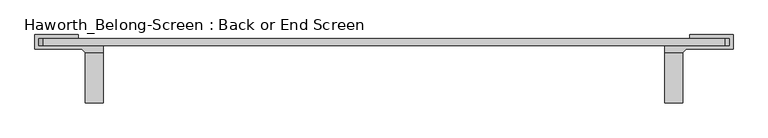
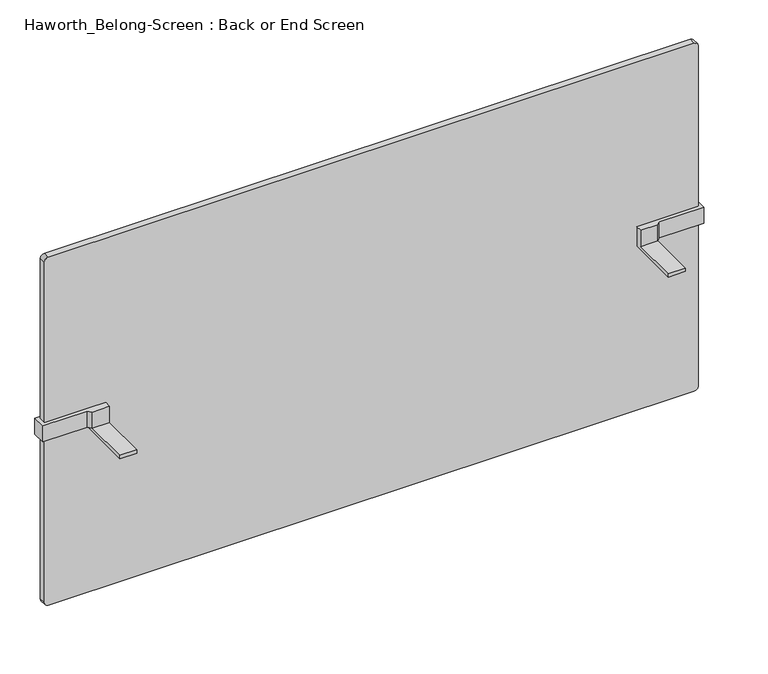
"""IFC4 building model written with IfcOpenShell, lengths in millimetres: furniture geometry, Haworth_Belong-Screen : Back or End Screen."""

import ifcopenshell
import ifcopenshell.guid

model = None  # the IFC model being written
_history = None  # IfcOwnerHistory: only IFC2X3 demands one
_inside = {}  # id of a spatial element -> (the spatial element, [elements in it])
_under = {}  # id of a project, library or spatial element -> (it, [spatial elements below it])
_declared = {}  # id of a project -> (the project, [libraries it declares])
_typed = {}  # id of a type object -> (the type object, [elements of that type])
_made_of = {}  # id of a material, layer set ... -> (it, [elements and type objects made of it])


def new_model(schema):
    """Start an empty IFC model of exactly this schema.

    Asked for "IFC4X3", IfcOpenShell would pick the latest addendum, in which some entities
    have other attributes; the version numbers below select the first issue.
    IFC2X3 requires an IfcOwnerHistory on every rooted entity: one is made here for all.
    """
    global model, _history
    if schema == "IFC4X3":
        model = ifcopenshell.file(schema_version=(4, 3, 0, 0))
    else:
        model = ifcopenshell.file(schema=schema)
    _inside.clear()
    _under.clear()
    _declared.clear()
    _typed.clear()
    _made_of.clear()
    _history = None
    if model.schema == "IFC2X3":
        org = make("IfcOrganization", Name="unknown")
        user = make(
            "IfcPersonAndOrganization",
            ThePerson=make("IfcPerson", FamilyName="unknown"),
            TheOrganization=org,
        )
        app = make(
            "IfcApplication",
            ApplicationDeveloper=org,
            Version="unknown",
            ApplicationFullName="unknown",
            ApplicationIdentifier="unknown",
        )
        _history = make(
            "IfcOwnerHistory",
            OwningUser=user,
            OwningApplication=app,
            ChangeAction="ADDED",
            CreationDate=0,
        )
    return model


def make(cls, **values):
    """One entity of the class cls with the attributes given. An attribute that is None is left unset."""
    return model.create_entity(
        cls, **{name: value for name, value in values.items() if value is not None}
    )


def rooted(cls, **values):
    """An entity with a GlobalId (a new one), such as an element, a storey or a relation."""
    return make(cls, GlobalId=ifcopenshell.guid.new(), OwnerHistory=_history, **values)


def si_unit(unit_type, name, prefix=None):
    """IfcSIUnit, for example si_unit("LENGTHUNIT", "METRE", prefix="MILLI")."""
    return make("IfcSIUnit", UnitType=unit_type, Prefix=prefix, Name=name)


def assignment(units):
    """IfcUnitAssignment: the units of a project."""
    return None if units is None else make("IfcUnitAssignment", Units=units)


def point(xyz):
    """IfcCartesianPoint."""
    return None if xyz is None else make("IfcCartesianPoint", Coordinates=xyz)


def direction(xyz):
    """IfcDirection."""
    return None if xyz is None else make("IfcDirection", DirectionRatios=xyz)


def frame(location, z_axis=None, x_axis=None):
    """IfcAxis2Placement3D, a coordinate frame: its origin and axes. An axis left out is left unset."""
    return make(
        "IfcAxis2Placement3D",
        Location=point(location),
        Axis=direction(z_axis),
        RefDirection=direction(x_axis),
    )


def frame_2d(location, x_axis=None):
    """IfcAxis2Placement2D, a coordinate frame in the plane: its origin and x axis."""
    return make(
        "IfcAxis2Placement2D", Location=point(location), RefDirection=direction(x_axis)
    )


def origin():
    """The frame at (0, 0, 0) with its axes left unset."""
    return frame((0.0, 0.0, 0.0))


def place(relative_to, where):
    """IfcLocalPlacement: puts the frame where relative to a parent placement (None: the world)."""
    return make(
        "IfcLocalPlacement", PlacementRelTo=relative_to, RelativePlacement=where
    )


def context(
    kind, dimensions, precision=None, world=None, true_north=None, identifier=None
):
    """IfcGeometricRepresentationContext, for example the 3D "Model" context."""
    return make(
        "IfcGeometricRepresentationContext",
        ContextIdentifier=identifier,
        ContextType=kind,
        CoordinateSpaceDimension=dimensions,
        Precision=precision,
        WorldCoordinateSystem=world,
        TrueNorth=true_north,
    )


def project(units=None, contexts=None):
    """IfcProject with its units and contexts."""
    return rooted(
        "IfcProject",
        Name="project",
        RepresentationContexts=contexts,
        UnitsInContext=assignment(units),
    )


def spatial(cls, under=None, at=None, **own):
    """A site, building, storey or space (cls), placed at a placement, below another one or the project."""
    s = rooted(cls, ObjectPlacement=at, **own)
    if under is not None:
        _under.setdefault(under.id(), (under, []))[1].append(s)
    return s


def polyline(points):
    """IfcPolyline through the points."""
    return make("IfcPolyline", Points=[point(p) for p in points])


def circle_curve(where, radius):
    """IfcCircle in the frame where."""
    return make("IfcCircle", Position=where, Radius=radius)


def trimmed(basis, trim1, trim2, sense, master):
    """IfcTrimmedCurve: the piece of a basis curve between two trims."""
    return make(
        "IfcTrimmedCurve",
        BasisCurve=basis,
        Trim1=trim1,
        Trim2=trim2,
        SenseAgreement=sense,
        MasterRepresentation=master,
    )


def segment(curve, same_sense, transition):
    """IfcCompositeCurveSegment."""
    return make(
        "IfcCompositeCurveSegment",
        Transition=transition,
        SameSense=same_sense,
        ParentCurve=curve,
    )


def composite_curve(segments, self_intersect=None):
    """IfcCompositeCurve: segments joined end to end."""
    return make("IfcCompositeCurve", Segments=segments, SelfIntersect=self_intersect)


def outline(outer, holes=None, kind="AREA"):
    """IfcArbitraryClosedProfileDef: a profile drawn as a closed curve; with holes, ...WithVoids."""
    if holes is None:
        return make("IfcArbitraryClosedProfileDef", ProfileType=kind, OuterCurve=outer)
    return make(
        "IfcArbitraryProfileDefWithVoids",
        ProfileType=kind,
        OuterCurve=outer,
        InnerCurves=holes,
    )


def extrude(swept, where, along, depth):
    """IfcExtrudedAreaSolid: the profile swept, set in the frame where, extruded along a direction by depth."""
    return make(
        "IfcExtrudedAreaSolid",
        SweptArea=swept,
        Position=where,
        ExtrudedDirection=direction(along),
        Depth=depth,
    )


def faces_of(points, faces, orient=None, outer=None):
    """IfcFace entities. A face is a list of loops; a loop is a list of indices into points, from 0.

    orient and outer hold one flag for each loop. By default every Orientation is true, the
    first loop of a face is its IfcFaceOuterBound and the others are IfcFaceBound.
    """
    made = []
    for i, loops in enumerate(faces):
        bounds = []
        for j, loop in enumerate(loops):
            is_outer = j == 0 if outer is None else outer[i][j]
            bounds.append(
                make(
                    "IfcFaceOuterBound" if is_outer else "IfcFaceBound",
                    Bound=make("IfcPolyLoop", Polygon=[points[k] for k in loop]),
                    Orientation=True if orient is None else orient[i][j],
                )
            )
        made.append(make("IfcFace", Bounds=bounds))
    return made


def faceted_brep(points, faces, orient=None, outer=None, voids=None):
    """IfcFacetedBrep: a solid bounded by flat faces; with voids (closed shells), ...WithVoids."""
    shared = [point(p) for p in points]
    hull = make("IfcClosedShell", CfsFaces=faces_of(shared, faces, orient, outer))
    if voids is None:
        return make("IfcFacetedBrep", Outer=hull)
    return make(
        "IfcFacetedBrepWithVoids",
        Outer=hull,
        Voids=[
            make(cls, CfsFaces=faces_of(shared, fs, o, b)) for cls, fs, o, b in voids
        ],
    )


def shape(context_of_items, identifier, shape_type, items):
    """IfcShapeRepresentation: the items that make up one representation, for example the "Body"."""
    return make(
        "IfcShapeRepresentation",
        ContextOfItems=context_of_items,
        RepresentationIdentifier=identifier,
        RepresentationType=shape_type,
        Items=items,
    )


def source(mapping_origin, context_of_items, identifier, shape_type, items):
    """IfcRepresentationMap: a shape defined once, which mapped items show again and again."""
    return make(
        "IfcRepresentationMap",
        MappingOrigin=mapping_origin,
        MappedRepresentation=shape(context_of_items, identifier, shape_type, items),
    )


def transform(
    local_origin,
    x_axis=None,
    y_axis=None,
    z_axis=None,
    scale=None,
    scale2=None,
    scale3=None,
    uniform=True,
):
    """IfcCartesianTransformationOperator3D, or its non-uniform kind. x_axis, y_axis, z_axis: its Axis1, 2, 3."""
    if uniform:
        return make(
            "IfcCartesianTransformationOperator3D",
            Axis1=direction(x_axis),
            Axis2=direction(y_axis),
            LocalOrigin=point(local_origin),
            Scale=scale,
            Axis3=direction(z_axis),
        )
    return make(
        "IfcCartesianTransformationOperator3DnonUniform",
        Axis1=direction(x_axis),
        Axis2=direction(y_axis),
        LocalOrigin=point(local_origin),
        Scale=scale,
        Axis3=direction(z_axis),
        Scale2=scale2,
        Scale3=scale3,
    )


def mapped(mapping_source, mapping_target):
    """IfcMappedItem: shows the shape of a source again, moved by a transform."""
    return make(
        "IfcMappedItem", MappingSource=mapping_source, MappingTarget=mapping_target
    )


def made_of(thing, what):
    """Note that an element or type object is made of a material, layer set ...; save() writes the relation."""
    if what is not None:
        _made_of.setdefault(what.id(), (what, []))[1].append(thing)
    return thing


def element(
    cls,
    number,
    at=None,
    inside=None,
    cuts=None,
    type_object=None,
    material=None,
    context=None,
    identifier="Body",
    shape_type=None,
    held_by="IfcProductDefinitionShape",
    body=None,
    shapes=None,
    **own,
):
    """One element of the class cls, such as IfcWall. Its Tag is "e" and its number.

    at: its placement. inside: the storey or other place that contains it. cuts: it is an
    opening in that element (IfcRelVoidsElement). A single representation is given by context,
    identifier, shape_type and body (its items); several are given by shapes. held_by: the class
    of the entity that holds the representations. save() writes the other relations.
    """
    e = rooted(cls, Tag="e%d" % number, ObjectPlacement=at, **own)
    if body is not None:
        shapes = [shape(context, identifier, shape_type, body)]
    if shapes is not None:
        e.Representation = make(held_by, Representations=shapes)
    if inside is not None:
        _inside.setdefault(inside.id(), (inside, []))[1].append(e)
    if cuts is not None:
        rooted(
            "IfcRelVoidsElement", RelatingBuildingElement=cuts, RelatedOpeningElement=e
        )
    if type_object is not None:
        _typed.setdefault(type_object.id(), (type_object, []))[1].append(e)
    return made_of(e, material)


def aggregate(whole, parts):
    """IfcRelAggregates: a whole, such as a stair, and the parts it consists of."""
    return rooted("IfcRelAggregates", RelatingObject=whole, RelatedObjects=parts)


def save(model, path):
    """Write the relations noted so far, then the file.

    IfcRelAggregates (storeys below a building ...), IfcRelContainedInSpatialStructure (elements
    in a storey), IfcRelDefinesByType, IfcRelAssociatesMaterial and IfcRelDeclares: one each for
    every whole, place, type object, material and project.
    """
    for whole, parts in _under.values():
        aggregate(whole, parts)
    for where, things in _inside.values():
        rooted(
            "IfcRelContainedInSpatialStructure",
            RelatedElements=things,
            RelatingStructure=where,
        )
    for kind, things in _typed.values():
        rooted("IfcRelDefinesByType", RelatedObjects=things, RelatingType=kind)
    for what, things in _made_of.values():
        rooted("IfcRelAssociatesMaterial", RelatedObjects=things, RelatingMaterial=what)
    for by, libraries in _declared.values():
        rooted("IfcRelDeclares", RelatingContext=by, RelatedDefinitions=libraries)
    model.write(path)


def haworth_belong_screen_back_or_end_screen_0c34e6a2(model_context):
    return source(origin(), model_context, "Body", "SolidModel", [
        faceted_brep([(-527.9645436, -6.35, 725.4875), (-527.9645436, -6.35, 763.5875), (-527.9645436, -19.05, 763.5875), (-527.9645436, -19.05, 731.8375), (-527.9645436, -107.95, 731.8375), (-527.9645436, -107.95, 725.4875), (-559.7145436, -107.95, 731.8375), (-559.7145436, -19.05, 731.8375), (-559.7145436, -6.35, 731.8375), (-559.7145436, -6.35, 725.4875), (-559.7145436, -107.95, 725.4875), (-642.2645436, -6.35, 731.8375), (-642.2645436, -6.35, 763.5875), (-642.2645436, 6.35, 763.5875), (-572.4145436, 6.35, 763.5875), (-572.4145436, 12.7, 763.5875), (-648.6145436, 12.7, 763.5875), (-648.6145436, -12.7, 763.5875), (-566.0645436, -12.7, 763.5875), (-559.7145436, -19.05, 763.5875), (-642.2645436, 6.35, 731.8375), (-566.0645436, -12.7, 731.8375), (-648.6145436, -12.7, 731.8375), (-648.6145436, 12.7, 731.8375), (-572.4145436, 12.7, 731.8375), (-572.4145436, 6.35, 731.8375)], [[[0, 1, 2, 3, 4, 5]], [[6, 7, 8, 9, 10]], [[4, 3, 7, 6]], [[0, 9, 8, 11, 12, 1]], [[5, 10, 9, 0]], [[4, 6, 10, 5]], [[13, 14, 15, 16, 17, 18, 19, 2, 1, 12]], [[20, 11, 8, 7, 21, 22, 23, 24, 25]], [[12, 11, 20, 13]], [[19, 7, 3, 2]], [[18, 21, 7, 19]], [[17, 22, 21, 18]], [[16, 23, 22, 17]], [[15, 24, 23, 16]], [[14, 25, 24, 15]], [[13, 20, 25, 14]]]),
        faceted_brep([(462.6354564, -107.95, 731.8375), (462.6354564, -19.05, 731.8375), (462.6354564, -19.05, 763.5875), (462.6354564, -6.35, 763.5875), (462.6354564, -6.35, 725.4875), (462.6354564, -107.95, 725.4875), (494.3854564, -6.35, 731.8375), (494.3854564, -19.05, 731.8375), (494.3854564, -107.95, 731.8375), (494.3854564, -107.95, 725.4875), (494.3854564, -6.35, 725.4875), (576.9354564, -6.35, 763.5875), (576.9354564, -6.35, 731.8375), (494.3854564, -19.05, 763.5875), (500.7354564, -12.7, 763.5875), (583.2854564, -12.7, 763.5875), (583.2854564, 12.7, 763.5875), (507.0854564, 12.7, 763.5875), (507.0854564, 6.35, 763.5875), (576.9354564, 6.35, 763.5875), (576.9354564, 6.35, 731.8375), (507.0854564, 6.35, 731.8375), (507.0854564, 12.7, 731.8375), (583.2854564, 12.7, 731.8375), (583.2854564, -12.7, 731.8375), (500.7354564, -12.7, 731.8375)], [[[0, 1, 2, 3, 4, 5]], [[6, 7, 8, 9, 10]], [[5, 9, 8, 0]], [[4, 10, 9, 5]], [[3, 11, 12, 6, 10, 4]], [[8, 7, 1, 0]], [[11, 3, 2, 13, 14, 15, 16, 17, 18, 19]], [[7, 6, 12, 20, 21, 22, 23, 24, 25]], [[14, 25, 24, 15]], [[15, 24, 23, 16]], [[16, 23, 22, 17]], [[17, 22, 21, 18]], [[18, 21, 20, 19]], [[19, 20, 12, 11]], [[2, 1, 7, 13]], [[13, 7, 25, 14]]]),
        extrude(outline(composite_curve([segment(polyline([(1087.4375, 568.9979564), (1087.4375, -634.3270436)]), True, "CONTINUOUS"), segment(trimmed(circle_curve(frame_2d((1079.5, -634.3270436)), 7.9375), [point((1087.4375, -634.3270436))], [point((1079.5, -642.2645436))], False, "CARTESIAN"), True, "CONTINUOUS"), segment(polyline([(1079.5, -642.2645436), (409.575, -642.2645436)]), True, "CONTINUOUS"), segment(trimmed(circle_curve(frame_2d((409.575, -634.3270436)), 7.9375), [point((409.575, -642.2645436))], [point((401.6375, -634.3270436))], False, "CARTESIAN"), True, "CONTINUOUS"), segment(polyline([(401.6375, -634.3270436), (401.6375, 568.9979564)]), True, "CONTINUOUS"), segment(trimmed(circle_curve(frame_2d((409.575, 568.9979564)), 7.9375), [point((401.6375, 568.9979564))], [point((409.575, 576.9354564))], False, "CARTESIAN"), True, "CONTINUOUS"), segment(polyline([(409.575, 576.9354564), (1079.5, 576.9354564)]), True, "CONTINUOUS"), segment(trimmed(circle_curve(frame_2d((1079.5, 568.9979564)), 7.9375), [point((1079.5, 576.9354564))], [point((1087.4375, 568.9979564))], False, "CARTESIAN"), True, "CONTINUOUS")], self_intersect=False)), frame((0.0, -6.35, 0.0), z_axis=(0.0, 1.0, 0.0), x_axis=(0.0, 0.0, 1.0)), (0.0, 0.0, 1.0), 12.7),
    ])


if __name__ == "__main__":
    model = new_model("IFC4")
    model_context = context("Model", 3, world=origin())
    ifc_project = project(units=[si_unit("LENGTHUNIT", "METRE", prefix="MILLI")], contexts=[model_context])
    site = spatial("IfcSite", under=ifc_project)
    building = spatial("IfcBuilding", under=site)
    placement = place(None, origin())
    haworth_belong_screen_back_or_end_screen_shape = haworth_belong_screen_back_or_end_screen_0c34e6a2(model_context)
    element("IfcFurniture", 1, ObjectType="Haworth_Belong-Screen : Back or End Screen", at=placement, inside=building, context=model_context, shape_type="MappedRepresentation", body=[
        mapped(haworth_belong_screen_back_or_end_screen_shape, transform((0.0, 0.0, 0.0), x_axis=(1.0, 0.0, 0.0), y_axis=(0.0, 1.0, 0.0), z_axis=(0.0, 0.0, 1.0))),
    ])
    save(model, "model.ifc")
